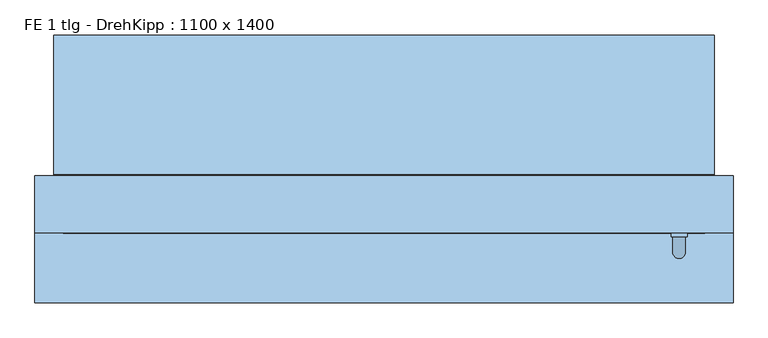
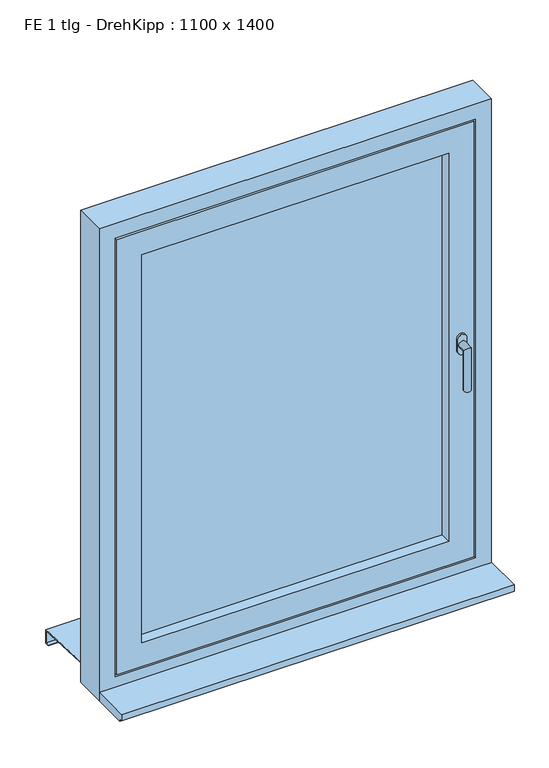
"""IFC4 building model written with IfcOpenShell, lengths in millimetres: window geometry, FE 1 tlg - DrehKipp : 1100 x 1400."""

from ifc_helpers import new_model, si_unit, frame, origin, place, context, project, spatial, polyline, circle_curve, ellipse_curve, outline, extrude, faceted_brep, source, transform, mapped, element, save
from ifc_brep_helpers import plane_surface, cylinder_surface, advanced_brep


def fe_1_tlg_drehkipp_1100_x_1400_6c7e5eeb(model_context):
    return source(origin(), model_context, "Body", "SolidModel", [
        advanced_brep(
        [(452.5, -90.0, 1572.5), (477.5, -90.0, 1572.5), (477.5, -90.0, 1555.0), (477.5, -90.0, 1537.5), (452.5, -90.0, 1537.5), (452.5, -90.0, 1555.0), (475.0, -120.0, 1555.0), (475.0, -96.0, 1555.0), (455.0, -96.0, 1555.0), (455.0, -120.0, 1555.0), (475.0, -120.0, 1435.0), (455.0, -120.0, 1435.0), (452.5, -96.0, 1572.5), (452.5, -96.0, 1555.0), (452.5, -96.0, 1537.5), (477.5, -96.0, 1537.5), (477.5, -96.0, 1555.0), (477.5, -96.0, 1572.5)],
        [
            (0, 1, circle_curve(frame((465.0, -90.0, 1572.5), z_axis=(0.0, 1.0, 0.0), x_axis=(-1.0, 0.0, 0.0)), 12.5)),
            (1, 2),
            (2, 3),
            (3, 4, circle_curve(frame((465.0, -90.0, 1537.5), z_axis=(0.0, 1.0, 0.0), x_axis=(-1.0, 0.0, 0.0)), 12.5)),
            (4, 5),
            (5, 0),
            (6, 7),
            (7, 8, circle_curve(frame((465.0, -96.0, 1555.0), z_axis=(0.0, -1.0, 0.0), x_axis=(-1.0, 0.0, 0.0)), 10.0)),
            (8, 9),
            (9, 6, ellipse_curve(frame((465.0, -120.0, 1555.0), z_axis=(0.0, 0.7071067811865498, 0.7071067811865451), x_axis=(0.0, 0.7071067811865452, -0.7071067811865497)), 14.1421356, 10.0)),
            (8, 7, circle_curve(frame((465.0, -96.0, 1555.0), z_axis=(0.0, -1.0, 0.0), x_axis=(-1.0, 0.0, 0.0)), 10.0)),
            (6, 9, ellipse_curve(frame((465.0, -120.0, 1555.0), z_axis=(0.0, 0.7071067811865498, 0.7071067811865451), x_axis=(0.0, 0.7071067811865452, -0.7071067811865497)), 14.1421356, 10.0)),
            (10, 11, circle_curve(frame((465.0, -120.0, 1435.0), z_axis=(0.0, 0.0, -1.0), x_axis=(-1.0, 0.0, 0.0)), 10.0)),
            (11, 10, circle_curve(frame((465.0, -120.0, 1435.0), z_axis=(0.0, 0.0, -1.0), x_axis=(-1.0, 0.0, 0.0)), 10.0)),
            (9, 11),
            (10, 6),
            (12, 13),
            (13, 14),
            (14, 15, circle_curve(frame((465.0, -96.0, 1537.5), z_axis=(0.0, -1.0, 0.0), x_axis=(-1.0, 0.0, 0.0)), 12.5)),
            (15, 16),
            (16, 17),
            (17, 12, circle_curve(frame((465.0, -96.0, 1572.5), z_axis=(0.0, -1.0, 0.0), x_axis=(-1.0, 0.0, 0.0)), 12.5)),
            (17, 1),
            (0, 12),
            (16, 2),
            (15, 3),
            (14, 4),
            (13, 5),
        ],
        [
            plane_surface(frame((465.0, -90.0, 1555.0), z_axis=(0.0, 1.0, 0.0), x_axis=(-1.0, 0.0, 0.0))),
            cylinder_surface(frame((465.0, -90.0, 1555.0), z_axis=(0.0, 1.0, 0.0), x_axis=(-1.0, 0.0, 0.0)), 10.0),
            plane_surface(frame((465.0, -120.0, 1435.0), z_axis=(0.0, 0.0, -1.0), x_axis=(-1.0, 0.0, 0.0))),
            cylinder_surface(frame((465.0, -120.0, 1555.0), z_axis=(0.0, 0.0, 1.0), x_axis=(-1.0, 0.0, 0.0)), 10.0),
            plane_surface(frame((452.5, -96.0, 1572.5), z_axis=(0.0, -1.0, 0.0), x_axis=(0.0, 0.0, 1.0))),
            cylinder_surface(frame((465.0, -90.0, 1572.5), z_axis=(0.0, -1.0, 0.0), x_axis=(-1.0, 0.0, 0.0)), 12.5),
            plane_surface(frame((477.5, -96.0, 1572.5), z_axis=(1.0, 0.0, 0.0), x_axis=(0.0, 1.0, 0.0))),
            plane_surface(frame((477.5, -96.0, 1555.0), z_axis=(1.0, 0.0, 0.0), x_axis=(0.0, 1.0, 0.0))),
            cylinder_surface(frame((465.0, -90.0, 1537.5), z_axis=(0.0, -1.0, 0.0), x_axis=(-1.0, 0.0, 0.0)), 12.5),
            plane_surface(frame((452.5, -96.0, 1537.5), z_axis=(-1.0, 0.0, 0.0), x_axis=(0.0, 1.0, 0.0))),
            plane_surface(frame((452.5, -96.0, 1555.0), z_axis=(-1.0, 0.0, 0.0), x_axis=(0.0, 1.0, 0.0))),
        ],
        [
            (0, [[1, 2, 3, 4, 5, 6]]),
            (1, [[7, 8, 9, 10]]),
            (1, [[-9, 11, -7, 12]]),
            (2, [[13, 14]]),
            (3, [[15, -13, 16, -10]]),
            (3, [[-16, -14, -15, -12]]),
            (4, [[17, 18, 19, 20, 21, 22], [-11, -8]]),
            (5, [[23, -1, 24, -22]]),
            (6, [[25, -2, -23, -21]]),
            (7, [[26, -3, -25, -20]]),
            (8, [[27, -4, -26, -19]]),
            (9, [[28, -5, -27, -18]]),
            (10, [[-24, -6, -28, -17]]),
        ],
    ),
        faceted_brep([(-430.0, -90.0, 2130.0), (-430.0, -90.0, 980.0), (-430.0, 0.0, 980.0), (-430.0, 0.0, 2130.0), (-460.0, 0.0, 950.0), (-460.0, 0.0, 2160.0), (460.0, 0.0, 2160.0), (460.0, 0.0, 950.0), (430.0, 0.0, 980.0), (430.0, 0.0, 2130.0), (430.0, -90.0, 980.0), (-500.0, -90.0, 2200.0), (-500.0, -90.0, 910.0), (500.0, -90.0, 910.0), (500.0, -90.0, 2200.0), (430.0, -90.0, 2130.0), (-500.0, -75.0, 2200.0), (-500.0, -75.0, 910.0), (500.0, -75.0, 910.0), (500.0, -75.0, 2200.0), (-485.0, -75.0, 2185.0), (-485.0, -75.0, 925.0), (485.0, -75.0, 925.0), (485.0, -75.0, 2185.0), (-485.0, -45.0, 2185.0), (-485.0, -45.0, 925.0), (485.0, -45.0, 925.0), (485.0, -45.0, 2185.0), (-475.0, -45.0, 2175.0), (-475.0, -45.0, 935.0), (475.0, -45.0, 935.0), (475.0, -45.0, 2175.0), (-475.0, -15.0, 2175.0), (-475.0, -15.0, 935.0), (475.0, -15.0, 935.0), (475.0, -15.0, 2175.0), (-460.0, -15.0, 2160.0), (-460.0, -15.0, 950.0), (460.0, -15.0, 950.0), (460.0, -15.0, 2160.0)], [[[0, 1, 2, 3]], [[4, 5, 6, 7], [3, 2, 8, 9]], [[1, 10, 8, 2]], [[11, 12, 13, 14], [1, 0, 15, 10]], [[16, 17, 12, 11]], [[17, 18, 13, 12]], [[17, 16, 19, 18], [20, 21, 22, 23]], [[24, 25, 21, 20]], [[25, 26, 22, 21]], [[25, 24, 27, 26], [28, 29, 30, 31]], [[32, 33, 29, 28]], [[33, 34, 30, 29]], [[33, 32, 35, 34], [36, 37, 38, 39]], [[5, 4, 37, 36]], [[4, 7, 38, 37]], [[10, 15, 9, 8]], [[18, 19, 14, 13]], [[26, 27, 23, 22]], [[34, 35, 31, 30]], [[7, 6, 39, 38]], [[15, 0, 3, 9]], [[19, 16, 11, 14]], [[27, 24, 20, 23]], [[35, 32, 28, 31]], [[6, 5, 36, 39]]]),
        extrude(outline(polyline([(-430.0, -15.0), (430.0, -15.0), (430.0, -59.0), (-430.0, -59.0), (-430.0, -15.0)])), frame((0.0, 0.0, 980.0), z_axis=(0.0, 0.0, 1.0), x_axis=(1.0, 0.0, 0.0)), (0.0, 0.0, 1.0), 1150.0),
        faceted_brep([(-520.0, 222.0, 860.9001248), (-520.0, 200.0, 862.0001248), (-520.0, 2.0, 871.9001248), (520.0, 2.0, 871.9001248), (520.0, 200.0, 862.0001248), (520.0, 222.0, 860.9001248), (-520.0, 222.0, 820.9001248), (520.0, 222.0, 820.9001248), (-520.0, 210.0, 820.9001248), (520.0, 210.0, 820.9001248), (-520.0, 210.0, 822.9001248), (520.0, 210.0, 822.9001248), (-520.0, 220.0, 822.9001248), (520.0, 220.0, 822.9001248), (-520.0, 220.0, 859.0), (520.0, 220.0, 859.0), (-520.0, 200.0, 860.0), (520.0, 200.0, 860.0), (520.0, 0.0, 870.0), (-520.0, 0.0, 870.0), (-520.0, 0.0, 890.0), (520.0, 0.0, 890.0), (-520.0, 2.0, 890.0), (520.0, 2.0, 890.0)], [[[0, 1, 2, 3, 4, 5]], [[6, 0, 5, 7]], [[8, 6, 7, 9]], [[10, 8, 9, 11]], [[12, 10, 11, 13]], [[14, 12, 13, 15]], [[16, 14, 15, 17, 18, 19]], [[20, 19, 18, 21]], [[22, 20, 21, 23]], [[2, 22, 23, 3]], [[16, 1, 0, 6, 8, 10, 12, 14]], [[17, 4, 3, 23, 21, 18]], [[1, 16, 19, 20, 22, 2]], [[4, 17, 15, 13, 11, 9, 7, 5]]]),
        faceted_brep([(550.0, 0.0, 850.0), (550.0, -90.0, 850.0), (-550.0, -90.0, 850.0), (-550.0, 0.0, 850.0), (550.0, 0.0, 2250.0), (550.0, -90.0, 2250.0), (-550.0, -90.0, 2250.0), (505.0, -90.0, 2205.0), (505.0, -90.0, 905.0), (-505.0, -90.0, 905.0), (-505.0, -90.0, 2205.0), (-550.0, 0.0, 2250.0), (465.0, 0.0, 945.0), (465.0, 0.0, 2165.0), (-465.0, 0.0, 2165.0), (-465.0, 0.0, 945.0), (465.0, -15.0, 945.0), (465.0, -15.0, 2165.0), (-465.0, -15.0, 945.0), (-465.0, -15.0, 2165.0), (505.0, -75.0, 2205.0), (505.0, -75.0, 905.0), (-505.0, -75.0, 905.0), (-505.0, -75.0, 2205.0), (490.0, -75.0, 2190.0), (490.0, -75.0, 920.0), (-490.0, -75.0, 920.0), (-490.0, -75.0, 2190.0), (490.0, -45.0, 920.0), (490.0, -45.0, 2190.0), (-490.0, -45.0, 2190.0), (-490.0, -45.0, 920.0), (480.0, -45.0, 2180.0), (480.0, -45.0, 930.0), (-480.0, -45.0, 930.0), (-480.0, -45.0, 2180.0), (480.0, -15.0, 930.0), (480.0, -15.0, 2180.0), (-480.0, -15.0, 2180.0), (-480.0, -15.0, 930.0)], [[[0, 1, 2, 3]], [[4, 5, 1, 0]], [[5, 6, 2, 1], [7, 8, 9, 10]], [[6, 11, 3, 2]], [[11, 4, 0, 3], [12, 13, 14, 15]], [[12, 16, 17, 13]], [[18, 15, 14, 19]], [[16, 12, 15, 18]], [[20, 21, 8, 7]], [[8, 21, 22, 9]], [[9, 22, 23, 10]], [[21, 20, 23, 22], [24, 25, 26, 27]], [[28, 29, 30, 31], [32, 33, 34, 35]], [[29, 28, 25, 24]], [[25, 28, 31, 26]], [[36, 37, 38, 39], [17, 16, 18, 19]], [[37, 36, 33, 32]], [[33, 36, 39, 34]], [[26, 31, 30, 27]], [[34, 39, 38, 35]], [[4, 11, 6, 5]], [[20, 7, 10, 23]], [[29, 24, 27, 30]], [[37, 32, 35, 38]], [[13, 17, 19, 14]]]),
        extrude(outline(polyline([(-200.0, 875.0), (-90.0, 875.0), (-90.0, 850.0), (-190.0, 850.0), (-190.0, 857.0), (-200.0, 857.0), (-200.0, 875.0)])), frame((-550.0, 0.0, 0.0), z_axis=(1.0, 0.0, 0.0), x_axis=(0.0, 1.0, 0.0)), (0.0, 0.0, 1.0), 1100.0),
    ])


if __name__ == "__main__":
    model = new_model("IFC4")
    model_context = context("Model", 3, world=origin())
    ifc_project = project(units=[si_unit("LENGTHUNIT", "METRE", prefix="MILLI")], contexts=[model_context])
    site = spatial("IfcSite", under=ifc_project)
    building = spatial("IfcBuilding", under=site)
    placement = place(None, origin())
    fe_1_tlg_drehkipp_1100_x_1400_shape = fe_1_tlg_drehkipp_1100_x_1400_6c7e5eeb(model_context)
    element("IfcWindow", 1, ObjectType="FE 1 tlg - DrehKipp : 1100 x 1400", at=placement, inside=building, context=model_context, shape_type="MappedRepresentation", body=[
        mapped(fe_1_tlg_drehkipp_1100_x_1400_shape, transform((0.0, 0.0, 0.0), x_axis=(1.0, 0.0, 0.0), y_axis=(0.0, 1.0, 0.0), z_axis=(0.0, 0.0, 1.0))),
    ])
    save(model, "model.ifc")
